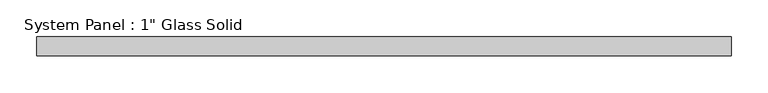
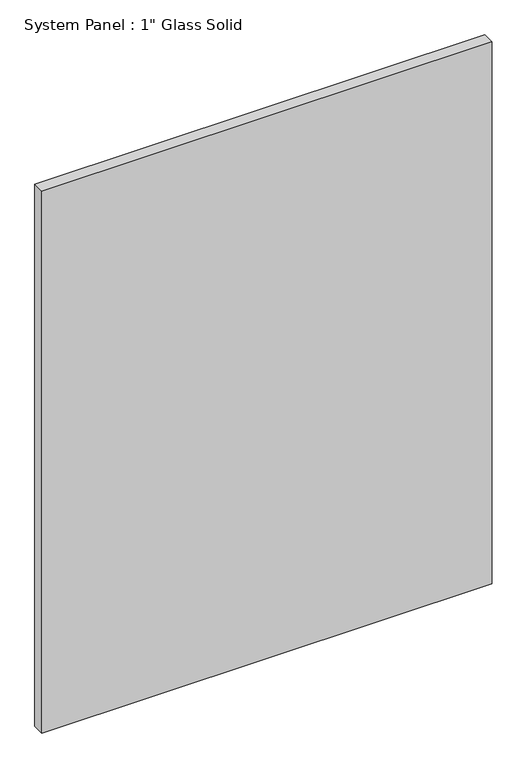
"""IFC4 building model written with IfcOpenShell, lengths in millimetres: plate geometry."""

from ifc_helpers import new_model, si_unit, origin, origin_with_axes, place, context, project, spatial, polyline, outline, extrude, source, transform, mapped, element, save


def plate_14da81d0(model_context):
    return source(origin(), model_context, "Body", "SweptSolid", [
        extrude(outline(polyline([(469.3202987, -12.7), (-469.3202987, -12.7), (-469.3202987, 12.7), (469.3202987, 12.7), (469.3202987, -12.7)])), origin_with_axes(), (0.0, 0.0, 1.0), 1193.8),
    ])


if __name__ == "__main__":
    model = new_model("IFC4")
    model_context = context("Model", 3, world=origin())
    ifc_project = project(units=[si_unit("LENGTHUNIT", "METRE", prefix="MILLI")], contexts=[model_context])
    site = spatial("IfcSite", under=ifc_project)
    building = spatial("IfcBuilding", under=site)
    placement = place(None, origin())
    plate_shape = plate_14da81d0(model_context)
    element("IfcPlate", 1, ObjectType="System Panel : 1\" Glass Solid", at=placement, inside=building, context=model_context, shape_type="MappedRepresentation", body=[
        mapped(plate_shape, transform((0.0, 0.0, 0.0), x_axis=(1.0, 0.0, 0.0), y_axis=(0.0, 1.0, 0.0), z_axis=(0.0, 0.0, 1.0))),
    ])
    save(model, "model.ifc")
